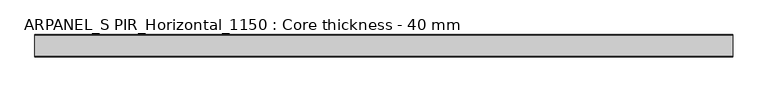
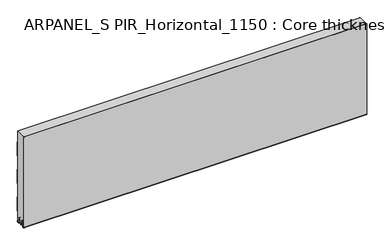
"""IFC4 building model written with IfcOpenShell, lengths in millimetres: plate geometry, ARPANEL_S PIR_Horizontal_1150 : Core thickness - 40 mm."""

from ifc_helpers import new_model, si_unit, frame, origin, place, context, project, spatial, polyline, circle_curve, source, transform, mapped, element, save
from ifc_brep_helpers import plane_surface, cylinder_surface, revolved_surface, advanced_brep


def arpanel_s_pir_horizontal_1150_core_thickness_40_mm_3fefe469(model_context):
    return source(origin(), model_context, "Body", "AdvancedBrep", [
        advanced_brep(
        [(620.0, -39.9996949, 3.0900682), (620.0, -33.81449, 2.7875612), (620.0, -32.197116, 19.2828169), (620.0, -29.1776715, 21.9898782), (620.0, -26.1582271, 19.2828169), (620.0, -24.7725998, 5.1510966), (620.0, -20.3830995, 5.365779), (620.0, -21.1830995, 5.365779), (620.0, -23.9764178, 5.2291629), (620.0, -25.3620451, 19.3608832), (620.0, -29.1776715, 22.7899182), (620.0, -32.9932979, 19.3608832), (620.0, -34.6106719, 2.8656275), (620.0, -39.1996949, 3.0900682), (620.0, -39.2, 350.0), (620.0, -39.9996949, 350.0), (-620.0, -39.1996949, 3.0900682), (-620.0, -34.6106719, 2.8656275), (-620.0, -32.9932979, 19.3608832), (-620.0, -29.1776715, 22.7899182), (-620.0, -25.3620451, 19.3608832), (-620.0, -23.9764178, 5.2291629), (-620.0, -21.1830995, 5.365779), (-620.0, -20.3830995, 5.365779), (-620.0, -24.7725998, 5.1510966), (-620.0, -26.1582271, 19.2828169), (-620.0, -29.1776715, 21.9898782), (-620.0, -32.197116, 19.2828169), (-620.0, -33.81449, 2.7875612), (-620.0, -39.9996949, 3.0900682), (-620.0, -39.9996949, 350.0), (-620.0, -39.2, 350.0)],
        [
            (0, 1, circle_curve(frame((620.0, -36.8996949, 3.0900682), z_axis=(1.0, 0.0, 0.0), x_axis=(0.0, 0.0, -1.0)), 3.1)),
            (1, 2),
            (2, 3, circle_curve(frame((620.0, -29.2114338, 18.9900682), z_axis=(-1.0, 0.0, 0.0), x_axis=(0.0, 0.0, -1.0)), 3.0)),
            (3, 4, circle_curve(frame((620.0, -29.1439093, 18.9900682), z_axis=(-1.0, 0.0, 0.0), x_axis=(0.0, 0.0, -1.0)), 3.0)),
            (4, 5),
            (5, 6, circle_curve(frame((620.0, -22.5830995, 5.365779), z_axis=(1.0, 0.0, 0.0), x_axis=(0.0, 0.0, -1.0)), 2.2)),
            (6, 7),
            (7, 8, circle_curve(frame((620.0, -22.5830995, 5.365779), z_axis=(-1.0, 0.0, 0.0), x_axis=(0.0, 0.0, -1.0)), 1.4)),
            (8, 9),
            (9, 10, circle_curve(frame((620.0, -29.1439093, 18.9900682), z_axis=(1.0, 0.0, 0.0), x_axis=(0.0, 0.0, -1.0)), 3.8)),
            (10, 11, circle_curve(frame((620.0, -29.2114338, 18.9900682), z_axis=(1.0, 0.0, 0.0), x_axis=(0.0, 0.0, -1.0)), 3.8)),
            (11, 12),
            (12, 13, circle_curve(frame((620.0, -36.8996949, 3.0900682), z_axis=(-1.0, 0.0, 0.0), x_axis=(0.0, 0.0, -1.0)), 2.3)),
            (13, 14),
            (14, 15),
            (15, 0),
            (16, 17, circle_curve(frame((-620.0, -36.8996949, 3.0900682), z_axis=(1.0, 0.0, 0.0), x_axis=(0.0, 0.0, -1.0)), 2.3)),
            (17, 18),
            (18, 19, circle_curve(frame((-620.0, -29.2114338, 18.9900682), z_axis=(-1.0, 0.0, 0.0), x_axis=(0.0, 0.0, -1.0)), 3.8)),
            (19, 20, circle_curve(frame((-620.0, -29.1439093, 18.9900682), z_axis=(-1.0, 0.0, 0.0), x_axis=(0.0, 0.0, -1.0)), 3.8)),
            (20, 21),
            (21, 22, circle_curve(frame((-620.0, -22.5830995, 5.365779), z_axis=(1.0, 0.0, 0.0), x_axis=(0.0, 0.0, -1.0)), 1.4)),
            (22, 23),
            (23, 24, circle_curve(frame((-620.0, -22.5830995, 5.365779), z_axis=(-1.0, 0.0, 0.0), x_axis=(0.0, 0.0, -1.0)), 2.2)),
            (24, 25),
            (25, 26, circle_curve(frame((-620.0, -29.1439093, 18.9900682), z_axis=(1.0, 0.0, 0.0), x_axis=(0.0, 0.0, -1.0)), 3.0)),
            (26, 27, circle_curve(frame((-620.0, -29.2114338, 18.9900682), z_axis=(1.0, 0.0, 0.0), x_axis=(0.0, 0.0, -1.0)), 3.0)),
            (27, 28),
            (28, 29, circle_curve(frame((-620.0, -36.8996949, 3.0900682), z_axis=(-1.0, 0.0, 0.0), x_axis=(0.0, 0.0, -1.0)), 3.1)),
            (29, 30),
            (30, 31),
            (31, 16),
            (13, 16),
            (31, 14),
            (29, 0),
            (15, 30),
            (12, 17),
            (11, 18),
            (10, 19),
            (9, 20),
            (8, 21),
            (7, 22),
            (6, 23),
            (5, 24),
            (4, 25),
            (3, 26),
            (2, 27),
            (1, 28),
        ],
        [
            plane_surface(frame((620.0, -40.0, 0.0), z_axis=(1.0, 0.0, 0.0), x_axis=(0.0, 1.0, 0.0))),
            plane_surface(frame((-620.0, -40.0, 0.0), z_axis=(-1.0, 0.0, 0.0), x_axis=(0.0, 1.0, 0.0))),
            plane_surface(frame((620.0, -39.2, 3.0900682), z_axis=(0.0, 1.0, 0.0), x_axis=(-1.0, 0.0, 0.0))),
            plane_surface(frame((620.0, -39.9996949, 1143.9000005), z_axis=(0.0, -1.0, 0.0), x_axis=(-1.0, 0.0, 0.0))),
            revolved_surface(polyline([(-620.0, -36.8996949, 0.7900682000000003), (620.0, -36.8996949, 0.7900682000000003)]), (620.0, -36.8996949, 3.0900682), (-1.0, 0.0, 0.0)),
            plane_surface(frame((620.0, -32.9932979, 19.3608832), z_axis=(0.0, -0.9952273999818314, 0.09758289975914787), x_axis=(-1.0, 0.0, 0.0))),
            cylinder_surface(frame((620.0, -29.2114338, 18.9900682), z_axis=(1.0, 0.0, 0.0), x_axis=(0.0, 0.0, -1.0)), 3.8),
            cylinder_surface(frame((620.0, -29.1439093, 18.9900682), z_axis=(1.0, 0.0, 0.0), x_axis=(0.0, 0.0, -1.0)), 3.8),
            plane_surface(frame((620.0, -23.9764178, 5.2291629), z_axis=(0.0, 0.9952273999818297, 0.09758289975916531), x_axis=(-1.0, 0.0, 0.0))),
            revolved_surface(polyline([(-620.0, -22.5830995, 3.965779), (620.0, -22.5830995, 3.965779)]), (620.0, -22.5830995, 5.365779), (-1.0, 0.0, 0.0)),
            plane_surface(frame((620.0, -20.3830995, 5.365779), z_axis=(0.0, 0.0, 1.0), x_axis=(-1.0, 0.0, 0.0))),
            cylinder_surface(frame((620.0, -22.5830995, 5.365779), z_axis=(1.0, 0.0, 0.0), x_axis=(0.0, 0.0, -1.0)), 2.2),
            plane_surface(frame((620.0, -26.1582271, 19.2828169), z_axis=(0.0, -0.9952273999818296, -0.09758289975916527), x_axis=(-1.0, 0.0, 0.0))),
            revolved_surface(polyline([(-620.0, -29.1439093, 15.9900682), (620.0, -29.1439093, 15.9900682)]), (620.0, -29.1439093, 18.9900682), (-1.0, 0.0, 0.0)),
            revolved_surface(polyline([(-620.0, -29.2114338, 15.9900682), (620.0, -29.2114338, 15.9900682)]), (620.0, -29.2114338, 18.9900682), (-1.0, 0.0, 0.0)),
            plane_surface(frame((620.0, -33.81449, 2.7875612), z_axis=(0.0, 0.9952273999818314, -0.09758289975914787), x_axis=(-1.0, 0.0, 0.0))),
            cylinder_surface(frame((620.0, -36.8996949, 3.0900682), z_axis=(1.0, 0.0, 0.0), x_axis=(0.0, 0.0, -1.0)), 3.1),
            plane_surface(frame((-620.0, 134.0533409, 350.0), z_axis=(0.0, 0.0, 1.0), x_axis=(1.0, 0.0, 0.0))),
        ],
        [
            (0, [[1, 2, 3, 4, 5, 6, 7, 8, 9, 10, 11, 12, 13, 14, 15, 16]]),
            (1, [[17, 18, 19, 20, 21, 22, 23, 24, 25, 26, 27, 28, 29, 30, 31, 32]]),
            (2, [[33, -32, 34, -14]]),
            (3, [[35, -16, 36, -30]]),
            (4, [[-13, 37, -17, -33]]),
            (5, [[-12, 38, -18, -37]]),
            (6, [[-11, 39, -19, -38]]),
            (7, [[-10, 40, -20, -39]]),
            (8, [[-9, 41, -21, -40]]),
            (9, [[-8, 42, -22, -41]]),
            (10, [[-7, 43, -23, -42]]),
            (11, [[-6, 44, -24, -43]]),
            (12, [[-5, 45, -25, -44]]),
            (13, [[-4, 46, -26, -45]]),
            (14, [[-3, 47, -27, -46]]),
            (15, [[-2, 48, -28, -47]]),
            (16, [[-1, -35, -29, -48]]),
            (17, [[-15, -34, -31, -36]]),
        ],
    ),
        advanced_brep(
        [(620.0, -0.8, 199.9459237), (620.0, -1.0986697, 200.9973395), (620.0, -1.5003051, 202.4177205), (620.0, -1.5003051, 252.5775037), (620.0, -1.0971009, 253.9969151), (620.0, -0.8, 255.0493005), (620.0, -0.8, 305.2090837), (620.0, -1.0986697, 306.2604995), (620.0, -1.5003051, 307.6808805), (620.0, -1.5003051, 350.0), (620.0, -39.2, 350.0), (620.0, -39.2, 3.0900682), (620.0, -34.6106719, 2.8656275), (620.0, -32.9932979, 19.3608832), (620.0, -29.1776715, 22.7899182), (620.0, -25.3620451, 19.3608832), (620.0, -23.9764178, 5.2291629), (620.0, -21.1830995, 5.365779), (620.0, -20.3830995, 5.365779), (620.0, -20.6102539, 4.3921875), (620.0, -19.3897461, 4.3921875), (620.0, -19.6169005, 5.365779), (620.0, -18.8169005, 5.365779), (620.0, -16.0235822, 5.2291629), (620.0, -14.6379549, 19.3608832), (620.0, -10.8223285, 22.7899182), (620.0, -7.0067021, 19.3608832), (620.0, -5.3893281, 2.8656275), (620.0, -0.8023367, 3.1867178), (620.0, -1.0986697, 4.141484), (620.0, -1.5003051, 5.5618649), (620.0, -1.5003051, 42.0511837), (620.0, -1.0971009, 43.4705951), (620.0, -0.8, 44.5229805), (620.0, -0.8, 94.6827637), (620.0, -1.0986697, 95.7341795), (620.0, -1.5003051, 97.1545605), (620.0, -1.5003051, 147.3143437), (620.0, -1.0971009, 148.7337551), (620.0, -0.8, 149.7861405), (-620.0, -1.0986697, 200.9973395), (-620.0, -0.8, 199.9459237), (-620.0, -0.8, 149.7861405), (-620.0, -1.0986697, 148.7347246), (-620.0, -1.5003051, 147.3143437), (-620.0, -1.5003051, 97.1545605), (-620.0, -1.0971009, 95.7351491), (-620.0, -0.8, 94.6827637), (-620.0, -0.8, 44.5229805), (-620.0, -1.0986697, 43.4715646), (-620.0, -1.5003051, 42.0511837), (-620.0, -1.5003051, 5.5618649), (-620.0, -1.0971009, 4.1424535), (-620.0, -0.8023367, 3.1867178), (-620.0, -5.3893281, 2.8656275), (-620.0, -7.0067021, 19.3608832), (-620.0, -10.8223285, 22.7899182), (-620.0, -14.6379549, 19.3608832), (-620.0, -16.0235822, 5.2291629), (-620.0, -18.4553868, 4.4268721), (-620.0, -18.8169005, 5.365779), (-620.0, -19.6169005, 5.365779), (-620.0, -19.3897461, 4.3921875), (-620.0, -20.6102539, 4.3921875), (-620.0, -20.3830995, 5.365779), (-620.0, -21.1830995, 5.365779), (-620.0, -21.5446132, 4.4268721), (-620.0, -23.9764178, 5.2291629), (-620.0, -25.3620451, 19.3608832), (-620.0, -29.1776715, 22.7899182), (-620.0, -32.9932979, 19.3608832), (-620.0, -34.6106719, 2.8656275), (-620.0, -39.1996949, 3.0900682), (-620.0, -39.2, 350.0), (-620.0, -1.5003051, 350.0), (-620.0, -1.5003051, 307.6808805), (-620.0, -1.0971009, 306.2614691), (-620.0, -0.8, 305.2090837), (-620.0, -0.8, 255.0493005), (-620.0, -1.0986697, 253.9978846), (-620.0, -1.5003051, 252.5775037), (-620.0, -1.5003051, 202.4177205)],
        [
            (0, 1, circle_curve(frame((620.0, -2.8, 199.9459237), z_axis=(1.0, 0.0, 0.0), x_axis=(0.0, 0.0, -1.0)), 2.0)),
            (1, 2, circle_curve(frame((620.0, 1.1996949, 202.4177205), z_axis=(-1.0, 0.0, 0.0), x_axis=(0.0, 0.0, -1.0)), 2.7)),
            (2, 3),
            (3, 4, circle_curve(frame((620.0, 1.1996949, 252.5775037), z_axis=(-1.0, 0.0, 0.0), x_axis=(0.0, 0.0, -1.0)), 2.7)),
            (4, 5, circle_curve(frame((620.0, -2.8, 255.0493005), z_axis=(1.0, 0.0, 0.0), x_axis=(0.0, 0.0, -1.0)), 2.0)),
            (5, 6),
            (6, 7, circle_curve(frame((620.0, -2.8, 305.2090837), z_axis=(1.0, 0.0, 0.0), x_axis=(0.0, 0.0, -1.0)), 2.0)),
            (7, 8, circle_curve(frame((620.0, 1.1996949, 307.6808805), z_axis=(-1.0, 0.0, 0.0), x_axis=(0.0, 0.0, -1.0)), 2.7)),
            (8, 9),
            (9, 10),
            (10, 11),
            (11, 12, circle_curve(frame((620.0, -36.8996949, 3.0900682), z_axis=(1.0, 0.0, 0.0), x_axis=(0.0, 0.0, -1.0)), 2.3)),
            (12, 13),
            (13, 14, circle_curve(frame((620.0, -29.2114338, 18.9900682), z_axis=(-1.0, 0.0, 0.0), x_axis=(0.0, 0.0, -1.0)), 3.8)),
            (14, 15, circle_curve(frame((620.0, -29.1439093, 18.9900682), z_axis=(-1.0, 0.0, 0.0), x_axis=(0.0, 0.0, -1.0)), 3.8)),
            (15, 16),
            (16, 17, circle_curve(frame((620.0, -22.5830995, 5.365779), z_axis=(1.0, 0.0, 0.0), x_axis=(0.0, 0.0, -1.0)), 1.4)),
            (17, 18),
            (18, 19, circle_curve(frame((620.0, -22.5830995, 5.365779), z_axis=(-1.0, 0.0, 0.0), x_axis=(0.0, 0.0, -1.0)), 2.2)),
            (19, 20),
            (20, 21, circle_curve(frame((620.0, -17.4169005, 5.365779), z_axis=(-1.0, 0.0, 0.0), x_axis=(0.0, 0.0, -1.0)), 2.2)),
            (21, 22),
            (22, 23, circle_curve(frame((620.0, -17.4169005, 5.365779), z_axis=(1.0, 0.0, 0.0), x_axis=(0.0, 0.0, -1.0)), 1.4)),
            (23, 24),
            (24, 25, circle_curve(frame((620.0, -10.8560907, 18.9900682), z_axis=(-1.0, 0.0, 0.0), x_axis=(0.0, 0.0, -1.0)), 3.8)),
            (25, 26, circle_curve(frame((620.0, -10.7885662, 18.9900682), z_axis=(-1.0, 0.0, 0.0), x_axis=(0.0, 0.0, -1.0)), 3.8)),
            (26, 27),
            (27, 28, circle_curve(frame((620.0, -3.1003051, 3.0900682), z_axis=(1.0, 0.0, 0.0), x_axis=(0.0, 0.0, -1.0)), 2.3)),
            (28, 29, circle_curve(frame((620.0, -2.8, 3.0900682), z_axis=(1.0, 0.0, 0.0), x_axis=(0.0, 0.0, -1.0)), 2.0)),
            (29, 30, circle_curve(frame((620.0, 1.1996949, 5.5618649), z_axis=(-1.0, 0.0, 0.0), x_axis=(0.0, 0.0, -1.0)), 2.7)),
            (30, 31),
            (31, 32, circle_curve(frame((620.0, 1.1996949, 42.0511837), z_axis=(-1.0, 0.0, 0.0), x_axis=(0.0, 0.0, -1.0)), 2.7)),
            (32, 33, circle_curve(frame((620.0, -2.8, 44.5229805), z_axis=(1.0, 0.0, 0.0), x_axis=(0.0, 0.0, -1.0)), 2.0)),
            (33, 34),
            (34, 35, circle_curve(frame((620.0, -2.8, 94.6827637), z_axis=(1.0, 0.0, 0.0), x_axis=(0.0, 0.0, -1.0)), 2.0)),
            (35, 36, circle_curve(frame((620.0, 1.1996949, 97.1545605), z_axis=(-1.0, 0.0, 0.0), x_axis=(0.0, 0.0, -1.0)), 2.7)),
            (36, 37),
            (37, 38, circle_curve(frame((620.0, 1.1996949, 147.3143437), z_axis=(-1.0, 0.0, 0.0), x_axis=(0.0, 0.0, -1.0)), 2.7)),
            (38, 39, circle_curve(frame((620.0, -2.8, 149.7861405), z_axis=(1.0, 0.0, 0.0), x_axis=(0.0, 0.0, -1.0)), 2.0)),
            (39, 0),
            (40, 41, circle_curve(frame((-620.0, -2.8, 199.9459237), z_axis=(-1.0, 0.0, 0.0), x_axis=(0.0, 0.0, -1.0)), 2.0)),
            (41, 42),
            (42, 43, circle_curve(frame((-620.0, -2.8, 149.7861405), z_axis=(-1.0, 0.0, 0.0), x_axis=(0.0, 0.0, -1.0)), 2.0)),
            (43, 44, circle_curve(frame((-620.0, 1.1996949, 147.3143437), z_axis=(1.0, 0.0, 0.0), x_axis=(0.0, 0.0, -1.0)), 2.7)),
            (44, 45),
            (45, 46, circle_curve(frame((-620.0, 1.1996949, 97.1545605), z_axis=(1.0, 0.0, 0.0), x_axis=(0.0, 0.0, -1.0)), 2.7)),
            (46, 47, circle_curve(frame((-620.0, -2.8, 94.6827637), z_axis=(-1.0, 0.0, 0.0), x_axis=(0.0, 0.0, -1.0)), 2.0)),
            (47, 48),
            (48, 49, circle_curve(frame((-620.0, -2.8, 44.5229805), z_axis=(-1.0, 0.0, 0.0), x_axis=(0.0, 0.0, -1.0)), 2.0)),
            (49, 50, circle_curve(frame((-620.0, 1.1996949, 42.0511837), z_axis=(1.0, 0.0, 0.0), x_axis=(0.0, 0.0, -1.0)), 2.7)),
            (50, 51),
            (51, 52, circle_curve(frame((-620.0, 1.1996949, 5.5618649), z_axis=(1.0, 0.0, 0.0), x_axis=(0.0, 0.0, -1.0)), 2.7)),
            (52, 53, circle_curve(frame((-620.0, -2.8, 3.0900682), z_axis=(-1.0, 0.0, 0.0), x_axis=(0.0, 0.0, -1.0)), 2.0)),
            (53, 54, circle_curve(frame((-620.0, -3.1003051, 3.0900682), z_axis=(-1.0, 0.0, 0.0), x_axis=(0.0, 0.0, -1.0)), 2.3)),
            (54, 55),
            (55, 56, circle_curve(frame((-620.0, -10.7885662, 18.9900682), z_axis=(1.0, 0.0, 0.0), x_axis=(0.0, 0.0, -1.0)), 3.8)),
            (56, 57, circle_curve(frame((-620.0, -10.8560907, 18.9900682), z_axis=(1.0, 0.0, 0.0), x_axis=(0.0, 0.0, -1.0)), 3.8)),
            (57, 58),
            (58, 59, circle_curve(frame((-620.0, -17.4169005, 5.365779), z_axis=(-1.0, 0.0, 0.0), x_axis=(0.0, 0.0, -1.0)), 1.4)),
            (59, 60, circle_curve(frame((-620.0, -17.4169005, 5.365779), z_axis=(-1.0, 0.0, 0.0), x_axis=(0.0, 0.0, -1.0)), 1.4)),
            (60, 61),
            (61, 62, circle_curve(frame((-620.0, -17.4169005, 5.365779), z_axis=(1.0, 0.0, 0.0), x_axis=(0.0, 0.0, -1.0)), 2.2)),
            (62, 63),
            (63, 64, circle_curve(frame((-620.0, -22.5830995, 5.365779), z_axis=(1.0, 0.0, 0.0), x_axis=(0.0, 0.0, -1.0)), 2.2)),
            (64, 65),
            (65, 66, circle_curve(frame((-620.0, -22.5830995, 5.365779), z_axis=(-1.0, 0.0, 0.0), x_axis=(0.0, 0.0, -1.0)), 1.4)),
            (66, 67, circle_curve(frame((-620.0, -22.5830995, 5.365779), z_axis=(-1.0, 0.0, 0.0), x_axis=(0.0, 0.0, -1.0)), 1.4)),
            (67, 68),
            (68, 69, circle_curve(frame((-620.0, -29.1439093, 18.9900682), z_axis=(1.0, 0.0, 0.0), x_axis=(0.0, 0.0, -1.0)), 3.8)),
            (69, 70, circle_curve(frame((-620.0, -29.2114338, 18.9900682), z_axis=(1.0, 0.0, 0.0), x_axis=(0.0, 0.0, -1.0)), 3.8)),
            (70, 71),
            (71, 72, circle_curve(frame((-620.0, -36.8996949, 3.0900682), z_axis=(-1.0, 0.0, 0.0), x_axis=(0.0, 0.0, -1.0)), 2.3)),
            (72, 73),
            (73, 74),
            (74, 75),
            (75, 76, circle_curve(frame((-620.0, 1.1996949, 307.6808805), z_axis=(1.0, 0.0, 0.0), x_axis=(0.0, 0.0, -1.0)), 2.7)),
            (76, 77, circle_curve(frame((-620.0, -2.8, 305.2090837), z_axis=(-1.0, 0.0, 0.0), x_axis=(0.0, 0.0, -1.0)), 2.0)),
            (77, 78),
            (78, 79, circle_curve(frame((-620.0, -2.8, 255.0493005), z_axis=(-1.0, 0.0, 0.0), x_axis=(0.0, 0.0, -1.0)), 2.0)),
            (79, 80, circle_curve(frame((-620.0, 1.1996949, 252.5775037), z_axis=(1.0, 0.0, 0.0), x_axis=(0.0, 0.0, -1.0)), 2.7)),
            (80, 81),
            (81, 40, circle_curve(frame((-620.0, 1.1996949, 202.4177205), z_axis=(1.0, 0.0, 0.0), x_axis=(0.0, 0.0, -1.0)), 2.7)),
            (40, 1),
            (0, 41),
            (81, 2),
            (80, 3),
            (79, 4),
            (78, 5),
            (77, 6),
            (76, 7),
            (75, 8),
            (74, 9),
            (72, 11),
            (10, 73),
            (46, 35),
            (34, 47),
            (45, 36),
            (44, 37),
            (43, 38),
            (42, 39),
            (71, 12),
            (18, 64),
            (63, 19),
            (61, 21),
            (20, 62),
            (60, 22),
            (58, 23),
            (57, 24),
            (56, 25),
            (55, 26),
            (54, 27),
            (53, 28),
            (52, 29),
            (51, 30),
            (50, 31),
            (49, 32),
            (48, 33),
            (70, 13),
            (69, 14),
            (68, 15),
            (67, 16),
            (65, 17),
        ],
        [
            plane_surface(frame((620.0, 0.0, 0.0), z_axis=(1.0, 0.0, 0.0), x_axis=(0.0, -1.0, 0.0))),
            plane_surface(frame((-620.0, 0.0, 0.0), z_axis=(-1.0, 0.0, 0.0), x_axis=(0.0, -1.0, 0.0))),
            cylinder_surface(frame((750.0, -2.8, 199.9459237), z_axis=(-1.0, 0.0, 0.0), x_axis=(0.0, 0.0, -1.0)), 2.0),
            revolved_surface(polyline([(620.0, 1.1996949, 199.7177205), (-620.0, 1.1996949, 199.7177205)]), (750.0, 1.1996949, 202.4177205), (1.0, 0.0, 0.0)),
            plane_surface(frame((750.0, -1.5003051, 252.5775037), z_axis=(0.0, 1.0, 0.0), x_axis=(-1.0, 0.0, 0.0))),
            revolved_surface(polyline([(620.0, 1.1996949, 249.8775037), (-620.0, 1.1996949, 249.8775037)]), (750.0, 1.1996949, 252.5775037), (1.0, 0.0, 0.0)),
            cylinder_surface(frame((750.0, -2.8, 255.0493005), z_axis=(-1.0, 0.0, 0.0), x_axis=(0.0, 0.0, -1.0)), 2.0),
            plane_surface(frame((750.0, -0.8, 305.2090837), z_axis=(0.0, 1.0, 0.0), x_axis=(-1.0, 0.0, 0.0))),
            cylinder_surface(frame((750.0, -2.8, 305.2090837), z_axis=(-1.0, 0.0, 0.0), x_axis=(0.0, 0.0, -1.0)), 2.0),
            revolved_surface(polyline([(620.0, 1.1996949, 304.9808805), (-620.0, 1.1996949, 304.9808805)]), (750.0, 1.1996949, 307.6808805), (1.0, 0.0, 0.0)),
            plane_surface(frame((750.0, -1.5003051, 357.8406637), z_axis=(0.0, 1.0, 0.0), x_axis=(-1.0, 0.0, 0.0))),
            plane_surface(frame((750.0, -39.2, 3.0900682), z_axis=(0.0, -1.0, 0.0), x_axis=(-1.0, 0.0, 0.0))),
            cylinder_surface(frame((750.0, -2.8, 94.6827637), z_axis=(-1.0, 0.0, 0.0), x_axis=(0.0, 0.0, -1.0)), 2.0),
            revolved_surface(polyline([(620.0, 1.1996949, 94.4545605), (-620.0, 1.1996949, 94.4545605)]), (750.0, 1.1996949, 97.1545605), (1.0, 0.0, 0.0)),
            plane_surface(frame((750.0, -1.5003051, 147.3143437), z_axis=(0.0, 1.0, 0.0), x_axis=(-1.0, 0.0, 0.0))),
            revolved_surface(polyline([(620.0, 1.1996949, 144.6143437), (-620.0, 1.1996949, 144.6143437)]), (750.0, 1.1996949, 147.3143437), (1.0, 0.0, 0.0)),
            cylinder_surface(frame((750.0, -2.8, 149.7861405), z_axis=(-1.0, 0.0, 0.0), x_axis=(0.0, 0.0, -1.0)), 2.0),
            plane_surface(frame((750.0, -0.8, 199.9459237), z_axis=(0.0, 1.0, 0.0), x_axis=(-1.0, 0.0, 0.0))),
            cylinder_surface(frame((750.0, -36.8996949, 3.0900682), z_axis=(-1.0, 0.0, 0.0), x_axis=(0.0, 0.0, -1.0)), 2.3),
            revolved_surface(polyline([(620.0, -22.5830995, 3.1657789999999997), (-620.0, -22.5830995, 3.1657789999999997)]), (750.0, -22.5830995, 5.365779), (1.0, 0.0, 0.0)),
            revolved_surface(polyline([(620.0, -17.4169005, 3.1657789999999997), (-620.0, -17.4169005, 3.1657789999999997)]), (750.0, -17.4169005, 5.365779), (1.0, 0.0, 0.0)),
            plane_surface(frame((750.0, -18.8169005, 5.365779), z_axis=(0.0, 0.0, -1.0), x_axis=(-1.0, 0.0, 0.0))),
            cylinder_surface(frame((750.0, -17.4169005, 5.365779), z_axis=(-1.0, 0.0, 0.0), x_axis=(0.0, 0.0, -1.0)), 1.4),
            plane_surface(frame((750.0, -14.6379549, 19.3608832), z_axis=(0.0, 0.9952273999818297, -0.09758289975916531), x_axis=(-1.0, 0.0, 0.0))),
            revolved_surface(polyline([(620.0, -10.8560907, 15.190068199999999), (-620.0, -10.8560907, 15.190068199999999)]), (750.0, -10.8560907, 18.9900682), (1.0, 0.0, 0.0)),
            revolved_surface(polyline([(620.0, -10.7885662, 15.190068199999999), (-620.0, -10.7885662, 15.190068199999999)]), (750.0, -10.7885662, 18.9900682), (1.0, 0.0, 0.0)),
            plane_surface(frame((750.0, -5.3893281, 2.8656275), z_axis=(0.0, -0.9952273999818314, -0.09758289975914787), x_axis=(-1.0, 0.0, 0.0))),
            cylinder_surface(frame((750.0, -3.1003051, 3.0900682), z_axis=(-1.0, 0.0, 0.0), x_axis=(0.0, 0.0, -1.0)), 2.3),
            cylinder_surface(frame((750.0, -2.8, 3.0900682), z_axis=(-1.0, 0.0, 0.0), x_axis=(0.0, 0.0, -1.0)), 2.0),
            revolved_surface(polyline([(620.0, 1.1996949, 2.8618648999999996), (-620.0, 1.1996949, 2.8618648999999996)]), (750.0, 1.1996949, 5.5618649), (1.0, 0.0, 0.0)),
            plane_surface(frame((750.0, -1.5003051, 42.0511837), z_axis=(0.0, 1.0, 0.0), x_axis=(-1.0, 0.0, 0.0))),
            revolved_surface(polyline([(620.0, 1.1996949, 39.3511837), (-620.0, 1.1996949, 39.3511837)]), (750.0, 1.1996949, 42.0511837), (1.0, 0.0, 0.0)),
            cylinder_surface(frame((750.0, -2.8, 44.5229805), z_axis=(-1.0, 0.0, 0.0), x_axis=(0.0, 0.0, -1.0)), 2.0),
            plane_surface(frame((750.0, -0.8, 94.6827637), z_axis=(0.0, 1.0, 0.0), x_axis=(-1.0, 0.0, 0.0))),
            plane_surface(frame((750.0, -32.9932979, 19.3608832), z_axis=(0.0, 0.9952273999818314, -0.09758289975914787), x_axis=(-1.0, 0.0, 0.0))),
            revolved_surface(polyline([(620.0, -29.2114338, 15.190068199999999), (-620.0, -29.2114338, 15.190068199999999)]), (750.0, -29.2114338, 18.9900682), (1.0, 0.0, 0.0)),
            revolved_surface(polyline([(620.0, -29.1439093, 15.190068199999999), (-620.0, -29.1439093, 15.190068199999999)]), (750.0, -29.1439093, 18.9900682), (1.0, 0.0, 0.0)),
            plane_surface(frame((750.0, -23.9764178, 5.2291629), z_axis=(0.0, -0.9952273999818297, -0.09758289975916531), x_axis=(-1.0, 0.0, 0.0))),
            cylinder_surface(frame((750.0, -22.5830995, 5.365779), z_axis=(-1.0, 0.0, 0.0), x_axis=(0.0, 0.0, -1.0)), 1.4),
            plane_surface(frame((750.0, -20.3830995, 5.365779), z_axis=(0.0, 0.0, -1.0), x_axis=(-1.0, 0.0, 0.0))),
            plane_surface(frame((620.0, -21.50625, 4.3921875), z_axis=(0.0, 0.0, -1.0), x_axis=(-1.0, 0.0, 0.0))),
            plane_surface(frame((-620.0, 134.0533409, 350.0), z_axis=(0.0, 0.0, 1.0), x_axis=(1.0, 0.0, 0.0))),
        ],
        [
            (0, [[1, 2, 3, 4, 5, 6, 7, 8, 9, 10, 11, 12, 13, 14, 15, 16, 17, 18, 19, 20, 21, 22, 23, 24, 25, 26, 27, 28, 29, 30, 31, 32, 33, 34, 35, 36, 37, 38, 39, 40]]),
            (1, [[41, 42, 43, 44, 45, 46, 47, 48, 49, 50, 51, 52, 53, 54, 55, 56, 57, 58, 59, 60, 61, 62, 63, 64, 65, 66, 67, 68, 69, 70, 71, 72, 73, 74, 75, 76, 77, 78, 79, 80, 81, 82]]),
            (2, [[83, -1, 84, -41]]),
            (3, [[-83, -82, 85, -2]]),
            (4, [[-85, -81, 86, -3]]),
            (5, [[-86, -80, 87, -4]]),
            (6, [[-87, -79, 88, -5]]),
            (7, [[-88, -78, 89, -6]]),
            (8, [[-89, -77, 90, -7]]),
            (9, [[-90, -76, 91, -8]]),
            (10, [[-91, -75, 92, -9]]),
            (11, [[93, -11, 94, -73]]),
            (12, [[95, -35, 96, -47]]),
            (13, [[-95, -46, 97, -36]]),
            (14, [[-97, -45, 98, -37]]),
            (15, [[-98, -44, 99, -38]]),
            (16, [[-99, -43, 100, -39]]),
            (17, [[-100, -42, -84, -40]]),
            (18, [[-93, -72, 101, -12]]),
            (19, [[102, -64, 103, -19]]),
            (20, [[104, -21, 105, -62]]),
            (21, [[-104, -61, 106, -22]]),
            (22, [[-106, -60, -59, 107, -23]]),
            (23, [[-107, -58, 108, -24]]),
            (24, [[-108, -57, 109, -25]]),
            (25, [[-109, -56, 110, -26]]),
            (26, [[-110, -55, 111, -27]]),
            (27, [[-111, -54, 112, -28]]),
            (28, [[-112, -53, 113, -29]]),
            (29, [[-113, -52, 114, -30]]),
            (30, [[-114, -51, 115, -31]]),
            (31, [[-115, -50, 116, -32]]),
            (32, [[-116, -49, 117, -33]]),
            (33, [[-117, -48, -96, -34]]),
            (34, [[-101, -71, 118, -13]]),
            (35, [[-118, -70, 119, -14]]),
            (36, [[-119, -69, 120, -15]]),
            (37, [[-120, -68, 121, -16]]),
            (38, [[-121, -67, -66, 122, -17]]),
            (39, [[-122, -65, -102, -18]]),
            (40, [[-105, -20, -103, -63]]),
            (41, [[-92, -74, -94, -10]]),
        ],
    ),
        advanced_brep(
        [(-620.0, -0.7003051, 307.6808805), (-620.0, -0.4016712, 306.6295226), (-620.0, -0.0003051, 305.2090837), (-620.0, -0.0003051, 255.0493005), (-620.0, -0.4034608, 253.6299674), (-620.0, -0.7003051, 252.5775037), (-620.0, -0.7003051, 202.4177205), (-620.0, -0.4016712, 201.3663626), (-620.0, -0.0003051, 199.9459237), (-620.0, -0.0003051, 149.7861405), (-620.0, -0.4034608, 148.3668074), (-620.0, -0.7003051, 147.3143437), (-620.0, -0.7003051, 97.1545605), (-620.0, -0.4016712, 96.1032026), (-620.0, -0.0003051, 94.6827637), (-620.0, -0.0003051, 44.5229805), (-620.0, -0.4034608, 43.1036474), (-620.0, -0.7003051, 42.0511837), (-620.0, -0.7003051, 5.5618649), (-620.0, -0.4016712, 4.5105071), (-620.0, -0.0003051, 3.0900682), (-620.0, -6.18551, 2.7875612), (-620.0, -7.802884, 19.2828169), (-620.0, -10.8223285, 21.9898782), (-620.0, -13.8417729, 19.2828169), (-620.0, -15.2274002, 5.1510966), (-620.0, -19.6169005, 5.365779), (-620.0, -18.8169005, 5.365779), (-620.0, -16.0235822, 5.2291629), (-620.0, -14.6379549, 19.3608832), (-620.0, -10.8223285, 22.7899182), (-620.0, -7.0067021, 19.3608832), (-620.0, -5.3893281, 2.8656275), (-620.0, -0.8023367, 3.1867178), (-620.0, -1.0986697, 4.141484), (-620.0, -1.5003051, 5.5618649), (-620.0, -1.5003051, 42.0511837), (-620.0, -1.0971009, 43.4705951), (-620.0, -0.8, 44.5229805), (-620.0, -0.8, 94.6827637), (-620.0, -1.0986697, 95.7341795), (-620.0, -1.5003051, 97.1545605), (-620.0, -1.5003051, 147.3143437), (-620.0, -1.0971009, 148.7337551), (-620.0, -0.8, 149.7861405), (-620.0, -0.8, 199.9459237), (-620.0, -1.0986697, 200.9973395), (-620.0, -1.5003051, 202.4177205), (-620.0, -1.5003051, 252.5775037), (-620.0, -1.0971009, 253.9969151), (-620.0, -0.8, 255.0493005), (-620.0, -0.8, 305.2090837), (-620.0, -1.0986697, 306.2604995), (-620.0, -1.5003051, 307.6808805), (-620.0, -1.5003051, 350.0), (-620.0, -0.7003051, 350.0), (620.0, -1.5003051, 307.6808805), (620.0, -1.0971009, 306.2614691), (620.0, -0.8, 305.2090837), (620.0, -0.8, 255.0493005), (620.0, -1.0986697, 253.9978846), (620.0, -1.5003051, 252.5775037), (620.0, -1.5003051, 202.4177205), (620.0, -1.0971009, 200.9983091), (620.0, -0.8, 199.9459237), (620.0, -0.8, 149.7861405), (620.0, -1.0986697, 148.7347246), (620.0, -1.5003051, 147.3143437), (620.0, -1.5003051, 97.1545605), (620.0, -1.0971009, 95.7351491), (620.0, -0.8, 94.6827637), (620.0, -0.8, 44.5229805), (620.0, -1.0986697, 43.4715646), (620.0, -1.5003051, 42.0511837), (620.0, -1.5003051, 5.5618649), (620.0, -1.0971009, 4.1424535), (620.0, -0.8023367, 3.1867178), (620.0, -5.3893281, 2.8656275), (620.0, -7.0067021, 19.3608832), (620.0, -10.8223285, 22.7899182), (620.0, -14.6379549, 19.3608832), (620.0, -16.0235822, 5.2291629), (620.0, -18.8169005, 5.365779), (620.0, -19.6169005, 5.365779), (620.0, -15.2274002, 5.1510966), (620.0, -13.8417729, 19.2828169), (620.0, -10.8223285, 21.9898782), (620.0, -7.802884, 19.2828169), (620.0, -6.18551, 2.7875612), (620.0, -0.0003051, 3.0900682), (620.0, -0.4034608, 4.5094012), (620.0, -0.7003051, 5.5618649), (620.0, -0.7003051, 42.0511837), (620.0, -0.4016712, 43.1025415), (620.0, -0.0003051, 44.5229805), (620.0, -0.0003051, 94.6827637), (620.0, -0.4034608, 96.1020968), (620.0, -0.7003051, 97.1545605), (620.0, -0.7003051, 147.3143437), (620.0, -0.4016712, 148.3657015), (620.0, -0.0003051, 149.7861405), (620.0, -0.0003051, 199.9459237), (620.0, -0.4034608, 201.3652568), (620.0, -0.7003051, 202.4177205), (620.0, -0.7003051, 252.5775037), (620.0, -0.4016712, 253.6288615), (620.0, -0.0003051, 255.0493005), (620.0, -0.0003051, 305.2090837), (620.0, -0.4034608, 306.6284168), (620.0, -0.7003051, 307.6808805), (620.0, -0.7003051, 350.0), (620.0, -1.5003051, 350.0)],
        [
            (0, 1, circle_curve(frame((-620.0, 1.2996949, 307.6808805), z_axis=(1.0, 0.0, 0.0), x_axis=(0.0, 0.0, -1.0)), 2.0)),
            (1, 2, circle_curve(frame((-620.0, -2.7003051, 305.2090837), z_axis=(-1.0, 0.0, 0.0), x_axis=(0.0, 0.0, -1.0)), 2.7)),
            (2, 3),
            (3, 4, circle_curve(frame((-620.0, -2.7003051, 255.0493005), z_axis=(-1.0, 0.0, 0.0), x_axis=(0.0, 0.0, -1.0)), 2.7)),
            (4, 5, circle_curve(frame((-620.0, 1.2996949, 252.5775037), z_axis=(1.0, 0.0, 0.0), x_axis=(0.0, 0.0, -1.0)), 2.0)),
            (5, 6),
            (6, 7, circle_curve(frame((-620.0, 1.2996949, 202.4177205), z_axis=(1.0, 0.0, 0.0), x_axis=(0.0, 0.0, -1.0)), 2.0)),
            (7, 8, circle_curve(frame((-620.0, -2.7003051, 199.9459237), z_axis=(-1.0, 0.0, 0.0), x_axis=(0.0, 0.0, -1.0)), 2.7)),
            (8, 9),
            (9, 10, circle_curve(frame((-620.0, -2.7003051, 149.7861405), z_axis=(-1.0, 0.0, 0.0), x_axis=(0.0, 0.0, -1.0)), 2.7)),
            (10, 11, circle_curve(frame((-620.0, 1.2996949, 147.3143437), z_axis=(1.0, 0.0, 0.0), x_axis=(0.0, 0.0, -1.0)), 2.0)),
            (11, 12),
            (12, 13, circle_curve(frame((-620.0, 1.2996949, 97.1545605), z_axis=(1.0, 0.0, 0.0), x_axis=(0.0, 0.0, -1.0)), 2.0)),
            (13, 14, circle_curve(frame((-620.0, -2.7003051, 94.6827637), z_axis=(-1.0, 0.0, 0.0), x_axis=(0.0, 0.0, -1.0)), 2.7)),
            (14, 15),
            (15, 16, circle_curve(frame((-620.0, -2.7003051, 44.5229805), z_axis=(-1.0, 0.0, 0.0), x_axis=(0.0, 0.0, -1.0)), 2.7)),
            (16, 17, circle_curve(frame((-620.0, 1.2996949, 42.0511837), z_axis=(1.0, 0.0, 0.0), x_axis=(0.0, 0.0, -1.0)), 2.0)),
            (17, 18),
            (18, 19, circle_curve(frame((-620.0, 1.2996949, 5.5618649), z_axis=(1.0, 0.0, 0.0), x_axis=(0.0, 0.0, -1.0)), 2.0)),
            (19, 20, circle_curve(frame((-620.0, -2.7003051, 3.0900682), z_axis=(-1.0, 0.0, 0.0), x_axis=(0.0, 0.0, -1.0)), 2.7)),
            (20, 21, circle_curve(frame((-620.0, -3.1003051, 3.0900682), z_axis=(-1.0, 0.0, 0.0), x_axis=(0.0, 0.0, -1.0)), 3.1)),
            (21, 22),
            (22, 23, circle_curve(frame((-620.0, -10.7885662, 18.9900682), z_axis=(1.0, 0.0, 0.0), x_axis=(0.0, 0.0, -1.0)), 3.0)),
            (23, 24, circle_curve(frame((-620.0, -10.8560907, 18.9900682), z_axis=(1.0, 0.0, 0.0), x_axis=(0.0, 0.0, -1.0)), 3.0)),
            (24, 25),
            (25, 26, circle_curve(frame((-620.0, -17.4169005, 5.365779), z_axis=(-1.0, 0.0, 0.0), x_axis=(0.0, 0.0, -1.0)), 2.2)),
            (26, 27),
            (27, 28, circle_curve(frame((-620.0, -17.4169005, 5.365779), z_axis=(1.0, 0.0, 0.0), x_axis=(0.0, 0.0, -1.0)), 1.4)),
            (28, 29),
            (29, 30, circle_curve(frame((-620.0, -10.8560907, 18.9900682), z_axis=(-1.0, 0.0, 0.0), x_axis=(0.0, 0.0, -1.0)), 3.8)),
            (30, 31, circle_curve(frame((-620.0, -10.7885662, 18.9900682), z_axis=(-1.0, 0.0, 0.0), x_axis=(0.0, 0.0, -1.0)), 3.8)),
            (31, 32),
            (32, 33, circle_curve(frame((-620.0, -3.1003051, 3.0900682), z_axis=(1.0, 0.0, 0.0), x_axis=(0.0, 0.0, -1.0)), 2.3)),
            (33, 34, circle_curve(frame((-620.0, -2.8, 3.0900682), z_axis=(1.0, 0.0, 0.0), x_axis=(0.0, 0.0, -1.0)), 2.0)),
            (34, 35, circle_curve(frame((-620.0, 1.1996949, 5.5618649), z_axis=(-1.0, 0.0, 0.0), x_axis=(0.0, 0.0, -1.0)), 2.7)),
            (35, 36),
            (36, 37, circle_curve(frame((-620.0, 1.1996949, 42.0511837), z_axis=(-1.0, 0.0, 0.0), x_axis=(0.0, 0.0, -1.0)), 2.7)),
            (37, 38, circle_curve(frame((-620.0, -2.8, 44.5229805), z_axis=(1.0, 0.0, 0.0), x_axis=(0.0, 0.0, -1.0)), 2.0)),
            (38, 39),
            (39, 40, circle_curve(frame((-620.0, -2.8, 94.6827637), z_axis=(1.0, 0.0, 0.0), x_axis=(0.0, 0.0, -1.0)), 2.0)),
            (40, 41, circle_curve(frame((-620.0, 1.1996949, 97.1545605), z_axis=(-1.0, 0.0, 0.0), x_axis=(0.0, 0.0, -1.0)), 2.7)),
            (41, 42),
            (42, 43, circle_curve(frame((-620.0, 1.1996949, 147.3143437), z_axis=(-1.0, 0.0, 0.0), x_axis=(0.0, 0.0, -1.0)), 2.7)),
            (43, 44, circle_curve(frame((-620.0, -2.8, 149.7861405), z_axis=(1.0, 0.0, 0.0), x_axis=(0.0, 0.0, -1.0)), 2.0)),
            (44, 45),
            (45, 46, circle_curve(frame((-620.0, -2.8, 199.9459237), z_axis=(1.0, 0.0, 0.0), x_axis=(0.0, 0.0, -1.0)), 2.0)),
            (46, 47, circle_curve(frame((-620.0, 1.1996949, 202.4177205), z_axis=(-1.0, 0.0, 0.0), x_axis=(0.0, 0.0, -1.0)), 2.7)),
            (47, 48),
            (48, 49, circle_curve(frame((-620.0, 1.1996949, 252.5775037), z_axis=(-1.0, 0.0, 0.0), x_axis=(0.0, 0.0, -1.0)), 2.7)),
            (49, 50, circle_curve(frame((-620.0, -2.8, 255.0493005), z_axis=(1.0, 0.0, 0.0), x_axis=(0.0, 0.0, -1.0)), 2.0)),
            (50, 51),
            (51, 52, circle_curve(frame((-620.0, -2.8, 305.2090837), z_axis=(1.0, 0.0, 0.0), x_axis=(0.0, 0.0, -1.0)), 2.0)),
            (52, 53, circle_curve(frame((-620.0, 1.1996949, 307.6808805), z_axis=(-1.0, 0.0, 0.0), x_axis=(0.0, 0.0, -1.0)), 2.7)),
            (53, 54),
            (54, 55),
            (55, 0),
            (56, 57, circle_curve(frame((620.0, 1.1996949, 307.6808805), z_axis=(1.0, 0.0, 0.0), x_axis=(0.0, 0.0, -1.0)), 2.7)),
            (57, 58, circle_curve(frame((620.0, -2.8, 305.2090837), z_axis=(-1.0, 0.0, 0.0), x_axis=(0.0, 0.0, -1.0)), 2.0)),
            (58, 59),
            (59, 60, circle_curve(frame((620.0, -2.8, 255.0493005), z_axis=(-1.0, 0.0, 0.0), x_axis=(0.0, 0.0, -1.0)), 2.0)),
            (60, 61, circle_curve(frame((620.0, 1.1996949, 252.5775037), z_axis=(1.0, 0.0, 0.0), x_axis=(0.0, 0.0, -1.0)), 2.7)),
            (61, 62),
            (62, 63, circle_curve(frame((620.0, 1.1996949, 202.4177205), z_axis=(1.0, 0.0, 0.0), x_axis=(0.0, 0.0, -1.0)), 2.7)),
            (63, 64, circle_curve(frame((620.0, -2.8, 199.9459237), z_axis=(-1.0, 0.0, 0.0), x_axis=(0.0, 0.0, -1.0)), 2.0)),
            (64, 65),
            (65, 66, circle_curve(frame((620.0, -2.8, 149.7861405), z_axis=(-1.0, 0.0, 0.0), x_axis=(0.0, 0.0, -1.0)), 2.0)),
            (66, 67, circle_curve(frame((620.0, 1.1996949, 147.3143437), z_axis=(1.0, 0.0, 0.0), x_axis=(0.0, 0.0, -1.0)), 2.7)),
            (67, 68),
            (68, 69, circle_curve(frame((620.0, 1.1996949, 97.1545605), z_axis=(1.0, 0.0, 0.0), x_axis=(0.0, 0.0, -1.0)), 2.7)),
            (69, 70, circle_curve(frame((620.0, -2.8, 94.6827637), z_axis=(-1.0, 0.0, 0.0), x_axis=(0.0, 0.0, -1.0)), 2.0)),
            (70, 71),
            (71, 72, circle_curve(frame((620.0, -2.8, 44.5229805), z_axis=(-1.0, 0.0, 0.0), x_axis=(0.0, 0.0, -1.0)), 2.0)),
            (72, 73, circle_curve(frame((620.0, 1.1996949, 42.0511837), z_axis=(1.0, 0.0, 0.0), x_axis=(0.0, 0.0, -1.0)), 2.7)),
            (73, 74),
            (74, 75, circle_curve(frame((620.0, 1.1996949, 5.5618649), z_axis=(1.0, 0.0, 0.0), x_axis=(0.0, 0.0, -1.0)), 2.7)),
            (75, 76, circle_curve(frame((620.0, -2.8, 3.0900682), z_axis=(-1.0, 0.0, 0.0), x_axis=(0.0, 0.0, -1.0)), 2.0)),
            (76, 77, circle_curve(frame((620.0, -3.1003051, 3.0900682), z_axis=(-1.0, 0.0, 0.0), x_axis=(0.0, 0.0, -1.0)), 2.3)),
            (77, 78),
            (78, 79, circle_curve(frame((620.0, -10.7885662, 18.9900682), z_axis=(1.0, 0.0, 0.0), x_axis=(0.0, 0.0, -1.0)), 3.8)),
            (79, 80, circle_curve(frame((620.0, -10.8560907, 18.9900682), z_axis=(1.0, 0.0, 0.0), x_axis=(0.0, 0.0, -1.0)), 3.8)),
            (80, 81),
            (81, 82, circle_curve(frame((620.0, -17.4169005, 5.365779), z_axis=(-1.0, 0.0, 0.0), x_axis=(0.0, 0.0, -1.0)), 1.4)),
            (82, 83),
            (83, 84, circle_curve(frame((620.0, -17.4169005, 5.365779), z_axis=(1.0, 0.0, 0.0), x_axis=(0.0, 0.0, -1.0)), 2.2)),
            (84, 85),
            (85, 86, circle_curve(frame((620.0, -10.8560907, 18.9900682), z_axis=(-1.0, 0.0, 0.0), x_axis=(0.0, 0.0, -1.0)), 3.0)),
            (86, 87, circle_curve(frame((620.0, -10.7885662, 18.9900682), z_axis=(-1.0, 0.0, 0.0), x_axis=(0.0, 0.0, -1.0)), 3.0)),
            (87, 88),
            (88, 89, circle_curve(frame((620.0, -3.1003051, 3.0900682), z_axis=(1.0, 0.0, 0.0), x_axis=(0.0, 0.0, -1.0)), 3.1)),
            (89, 90, circle_curve(frame((620.0, -2.7003051, 3.0900682), z_axis=(1.0, 0.0, 0.0), x_axis=(0.0, 0.0, -1.0)), 2.7)),
            (90, 91, circle_curve(frame((620.0, 1.2996949, 5.5618649), z_axis=(-1.0, 0.0, 0.0), x_axis=(0.0, 0.0, -1.0)), 2.0)),
            (91, 92),
            (92, 93, circle_curve(frame((620.0, 1.2996949, 42.0511837), z_axis=(-1.0, 0.0, 0.0), x_axis=(0.0, 0.0, -1.0)), 2.0)),
            (93, 94, circle_curve(frame((620.0, -2.7003051, 44.5229805), z_axis=(1.0, 0.0, 0.0), x_axis=(0.0, 0.0, -1.0)), 2.7)),
            (94, 95),
            (95, 96, circle_curve(frame((620.0, -2.7003051, 94.6827637), z_axis=(1.0, 0.0, 0.0), x_axis=(0.0, 0.0, -1.0)), 2.7)),
            (96, 97, circle_curve(frame((620.0, 1.2996949, 97.1545605), z_axis=(-1.0, 0.0, 0.0), x_axis=(0.0, 0.0, -1.0)), 2.0)),
            (97, 98),
            (98, 99, circle_curve(frame((620.0, 1.2996949, 147.3143437), z_axis=(-1.0, 0.0, 0.0), x_axis=(0.0, 0.0, -1.0)), 2.0)),
            (99, 100, circle_curve(frame((620.0, -2.7003051, 149.7861405), z_axis=(1.0, 0.0, 0.0), x_axis=(0.0, 0.0, -1.0)), 2.7)),
            (100, 101),
            (101, 102, circle_curve(frame((620.0, -2.7003051, 199.9459237), z_axis=(1.0, 0.0, 0.0), x_axis=(0.0, 0.0, -1.0)), 2.7)),
            (102, 103, circle_curve(frame((620.0, 1.2996949, 202.4177205), z_axis=(-1.0, 0.0, 0.0), x_axis=(0.0, 0.0, -1.0)), 2.0)),
            (103, 104),
            (104, 105, circle_curve(frame((620.0, 1.2996949, 252.5775037), z_axis=(-1.0, 0.0, 0.0), x_axis=(0.0, 0.0, -1.0)), 2.0)),
            (105, 106, circle_curve(frame((620.0, -2.7003051, 255.0493005), z_axis=(1.0, 0.0, 0.0), x_axis=(0.0, 0.0, -1.0)), 2.7)),
            (106, 107),
            (107, 108, circle_curve(frame((620.0, -2.7003051, 305.2090837), z_axis=(1.0, 0.0, 0.0), x_axis=(0.0, 0.0, -1.0)), 2.7)),
            (108, 109, circle_curve(frame((620.0, 1.2996949, 307.6808805), z_axis=(-1.0, 0.0, 0.0), x_axis=(0.0, 0.0, -1.0)), 2.0)),
            (109, 110),
            (110, 111),
            (111, 56),
            (53, 56),
            (111, 54),
            (52, 57),
            (51, 58),
            (50, 59),
            (49, 60),
            (48, 61),
            (47, 62),
            (46, 63),
            (45, 64),
            (32, 77),
            (76, 33),
            (31, 78),
            (30, 79),
            (29, 80),
            (28, 81),
            (27, 82),
            (26, 83),
            (25, 84),
            (24, 85),
            (23, 86),
            (22, 87),
            (21, 88),
            (20, 89),
            (7, 102),
            (101, 8),
            (6, 103),
            (5, 104),
            (4, 105),
            (3, 106),
            (2, 107),
            (1, 108),
            (0, 109),
            (55, 110),
            (44, 65),
            (43, 66),
            (42, 67),
            (41, 68),
            (40, 69),
            (39, 70),
            (13, 96),
            (95, 14),
            (12, 97),
            (11, 98),
            (10, 99),
            (9, 100),
            (38, 71),
            (37, 72),
            (36, 73),
            (35, 74),
            (34, 75),
            (19, 90),
            (18, 91),
            (17, 92),
            (16, 93),
            (15, 94),
        ],
        [
            plane_surface(frame((-620.0, 0.0, 0.0), z_axis=(-1.0, 0.0, 0.0), x_axis=(0.0, -1.0, 0.0))),
            plane_surface(frame((620.0, 0.0, 0.0), z_axis=(1.0, 0.0, 0.0), x_axis=(0.0, -1.0, 0.0))),
            plane_surface(frame((-620.0, -1.5003051, 307.6808805), z_axis=(0.0, -1.0, 0.0), x_axis=(1.0, 0.0, 0.0))),
            cylinder_surface(frame((-620.0, 1.1996949, 307.6808805), z_axis=(-1.0, 0.0, 0.0), x_axis=(0.0, 0.0, -1.0)), 2.7),
            revolved_surface(polyline([(620.0, -2.8, 303.2090837), (-620.0, -2.8, 303.2090837)]), (-620.0, -2.8, 305.2090837), (1.0, 0.0, 0.0)),
            plane_surface(frame((-620.0, -0.8, 255.0493005), z_axis=(0.0, -1.0, 0.0), x_axis=(1.0, 0.0, 0.0))),
            revolved_surface(polyline([(620.0, -2.8, 253.0493005), (-620.0, -2.8, 253.0493005)]), (-620.0, -2.8, 255.0493005), (1.0, 0.0, 0.0)),
            cylinder_surface(frame((-620.0, 1.1996949, 252.5775037), z_axis=(-1.0, 0.0, 0.0), x_axis=(0.0, 0.0, -1.0)), 2.7),
            plane_surface(frame((-620.0, -1.5003051, 202.4177205), z_axis=(0.0, -1.0, 0.0), x_axis=(1.0, 0.0, 0.0))),
            cylinder_surface(frame((-620.0, 1.1996949, 202.4177205), z_axis=(-1.0, 0.0, 0.0), x_axis=(0.0, 0.0, -1.0)), 2.7),
            revolved_surface(polyline([(620.0, -2.8, 197.9459237), (-620.0, -2.8, 197.9459237)]), (-620.0, -2.8, 199.9459237), (1.0, 0.0, 0.0)),
            revolved_surface(polyline([(620.0, -3.1003051, 0.7900682000000003), (-620.0, -3.1003051, 0.7900682000000003)]), (-620.0, -3.1003051, 3.0900682), (1.0, 0.0, 0.0)),
            plane_surface(frame((-620.0, -7.0067021, 19.3608832), z_axis=(0.0, 0.9952273999818314, 0.09758289975914787), x_axis=(1.0, 0.0, 0.0))),
            cylinder_surface(frame((-620.0, -10.7885662, 18.9900682), z_axis=(-1.0, 0.0, 0.0), x_axis=(0.0, 0.0, -1.0)), 3.8),
            cylinder_surface(frame((-620.0, -10.8560907, 18.9900682), z_axis=(-1.0, 0.0, 0.0), x_axis=(0.0, 0.0, -1.0)), 3.8),
            plane_surface(frame((-620.0, -16.0235822, 5.2291629), z_axis=(0.0, -0.9952273999818297, 0.09758289975916531), x_axis=(1.0, 0.0, 0.0))),
            revolved_surface(polyline([(620.0, -17.4169005, 3.965779), (-620.0, -17.4169005, 3.965779)]), (-620.0, -17.4169005, 5.365779), (1.0, 0.0, 0.0)),
            plane_surface(frame((-620.0, -19.6169005, 5.365779), z_axis=(0.0, 0.0, 1.0), x_axis=(1.0, 0.0, 0.0))),
            cylinder_surface(frame((-620.0, -17.4169005, 5.365779), z_axis=(-1.0, 0.0, 0.0), x_axis=(0.0, 0.0, -1.0)), 2.2),
            plane_surface(frame((-620.0, -13.8417729, 19.2828169), z_axis=(0.0, 0.9952273999818296, -0.09758289975916527), x_axis=(1.0, 0.0, 0.0))),
            revolved_surface(polyline([(620.0, -10.8560907, 15.9900682), (-620.0, -10.8560907, 15.9900682)]), (-620.0, -10.8560907, 18.9900682), (1.0, 0.0, 0.0)),
            revolved_surface(polyline([(620.0, -10.7885662, 15.9900682), (-620.0, -10.7885662, 15.9900682)]), (-620.0, -10.7885662, 18.9900682), (1.0, 0.0, 0.0)),
            plane_surface(frame((-620.0, -6.18551, 2.7875612), z_axis=(0.0, -0.9952273999818314, -0.09758289975914787), x_axis=(1.0, 0.0, 0.0))),
            cylinder_surface(frame((-620.0, -3.1003051, 3.0900682), z_axis=(-1.0, 0.0, 0.0), x_axis=(0.0, 0.0, -1.0)), 3.1),
            cylinder_surface(frame((-620.0, -2.7003051, 199.9459237), z_axis=(-1.0, 0.0, 0.0), x_axis=(0.0, 0.0, -1.0)), 2.7),
            revolved_surface(polyline([(620.0, 1.2996949, 200.4177205), (-620.0, 1.2996949, 200.4177205)]), (-620.0, 1.2996949, 202.4177205), (1.0, 0.0, 0.0)),
            plane_surface(frame((-620.0, -0.7003051, 252.5775037), z_axis=(0.0, 1.0, 0.0), x_axis=(1.0, 0.0, 0.0))),
            revolved_surface(polyline([(620.0, 1.2996949, 250.5775037), (-620.0, 1.2996949, 250.5775037)]), (-620.0, 1.2996949, 252.5775037), (1.0, 0.0, 0.0)),
            cylinder_surface(frame((-620.0, -2.7003051, 255.0493005), z_axis=(-1.0, 0.0, 0.0), x_axis=(0.0, 0.0, -1.0)), 2.7),
            plane_surface(frame((-620.0, -0.0003051, 305.2090837), z_axis=(0.0, 1.0, 0.0), x_axis=(1.0, 0.0, 0.0))),
            cylinder_surface(frame((-620.0, -2.7003051, 305.2090837), z_axis=(-1.0, 0.0, 0.0), x_axis=(0.0, 0.0, -1.0)), 2.7),
            revolved_surface(polyline([(620.0, 1.2996949, 305.6808805), (-620.0, 1.2996949, 305.6808805)]), (-620.0, 1.2996949, 307.6808805), (1.0, 0.0, 0.0)),
            plane_surface(frame((-620.0, -0.7003051, 357.8406637), z_axis=(0.0, 1.0, 0.0), x_axis=(1.0, 0.0, 0.0))),
            plane_surface(frame((-620.0, -0.8, 149.7861405), z_axis=(0.0, -1.0, 0.0), x_axis=(1.0, 0.0, 0.0))),
            revolved_surface(polyline([(620.0, -2.8, 147.7861405), (-620.0, -2.8, 147.7861405)]), (-620.0, -2.8, 149.7861405), (1.0, 0.0, 0.0)),
            cylinder_surface(frame((-620.0, 1.1996949, 147.3143437), z_axis=(-1.0, 0.0, 0.0), x_axis=(0.0, 0.0, -1.0)), 2.7),
            plane_surface(frame((-620.0, -1.5003051, 97.1545605), z_axis=(0.0, -1.0, 0.0), x_axis=(1.0, 0.0, 0.0))),
            cylinder_surface(frame((-620.0, 1.1996949, 97.1545605), z_axis=(-1.0, 0.0, 0.0), x_axis=(0.0, 0.0, -1.0)), 2.7),
            revolved_surface(polyline([(620.0, -2.8, 92.6827637), (-620.0, -2.8, 92.6827637)]), (-620.0, -2.8, 94.6827637), (1.0, 0.0, 0.0)),
            cylinder_surface(frame((-620.0, -2.7003051, 94.6827637), z_axis=(-1.0, 0.0, 0.0), x_axis=(0.0, 0.0, -1.0)), 2.7),
            revolved_surface(polyline([(620.0, 1.2996949, 95.1545605), (-620.0, 1.2996949, 95.1545605)]), (-620.0, 1.2996949, 97.1545605), (1.0, 0.0, 0.0)),
            plane_surface(frame((-620.0, -0.7003051, 147.3143437), z_axis=(0.0, 1.0, 0.0), x_axis=(1.0, 0.0, 0.0))),
            revolved_surface(polyline([(620.0, 1.2996949, 145.3143437), (-620.0, 1.2996949, 145.3143437)]), (-620.0, 1.2996949, 147.3143437), (1.0, 0.0, 0.0)),
            cylinder_surface(frame((-620.0, -2.7003051, 149.7861405), z_axis=(-1.0, 0.0, 0.0), x_axis=(0.0, 0.0, -1.0)), 2.7),
            plane_surface(frame((-620.0, -0.0003051, 199.9459237), z_axis=(0.0, 1.0, 0.0), x_axis=(1.0, 0.0, 0.0))),
            plane_surface(frame((-620.0, -0.8, 44.5229805), z_axis=(0.0, -1.0, 0.0), x_axis=(1.0, 0.0, 0.0))),
            revolved_surface(polyline([(620.0, -2.8, 42.5229805), (-620.0, -2.8, 42.5229805)]), (-620.0, -2.8, 44.5229805), (1.0, 0.0, 0.0)),
            cylinder_surface(frame((-620.0, 1.1996949, 42.0511837), z_axis=(-1.0, 0.0, 0.0), x_axis=(0.0, 0.0, -1.0)), 2.7),
            plane_surface(frame((-620.0, -1.5003051, 5.5618649), z_axis=(0.0, -1.0, 0.0), x_axis=(1.0, 0.0, 0.0))),
            cylinder_surface(frame((-620.0, 1.1996949, 5.5618649), z_axis=(-1.0, 0.0, 0.0), x_axis=(0.0, 0.0, -1.0)), 2.7),
            revolved_surface(polyline([(620.0, -2.8, 1.0900682000000002), (-620.0, -2.8, 1.0900682000000002)]), (-620.0, -2.8, 3.0900682), (1.0, 0.0, 0.0)),
            cylinder_surface(frame((-620.0, -2.7003051, 3.0900682), z_axis=(-1.0, 0.0, 0.0), x_axis=(0.0, 0.0, -1.0)), 2.7),
            revolved_surface(polyline([(620.0, 1.2996949, 3.5618649), (-620.0, 1.2996949, 3.5618649)]), (-620.0, 1.2996949, 5.5618649), (1.0, 0.0, 0.0)),
            plane_surface(frame((-620.0, -0.7003051, 42.0511837), z_axis=(0.0, 1.0, 0.0), x_axis=(1.0, 0.0, 0.0))),
            revolved_surface(polyline([(620.0, 1.2996949, 40.0511837), (-620.0, 1.2996949, 40.0511837)]), (-620.0, 1.2996949, 42.0511837), (1.0, 0.0, 0.0)),
            cylinder_surface(frame((-620.0, -2.7003051, 44.5229805), z_axis=(-1.0, 0.0, 0.0), x_axis=(0.0, 0.0, -1.0)), 2.7),
            plane_surface(frame((-620.0, -0.0003051, 94.6827637), z_axis=(0.0, 1.0, 0.0), x_axis=(1.0, 0.0, 0.0))),
            plane_surface(frame((-620.0, 134.0533409, 350.0), z_axis=(0.0, 0.0, 1.0), x_axis=(1.0, 0.0, 0.0))),
        ],
        [
            (0, [[1, 2, 3, 4, 5, 6, 7, 8, 9, 10, 11, 12, 13, 14, 15, 16, 17, 18, 19, 20, 21, 22, 23, 24, 25, 26, 27, 28, 29, 30, 31, 32, 33, 34, 35, 36, 37, 38, 39, 40, 41, 42, 43, 44, 45, 46, 47, 48, 49, 50, 51, 52, 53, 54, 55, 56]]),
            (1, [[57, 58, 59, 60, 61, 62, 63, 64, 65, 66, 67, 68, 69, 70, 71, 72, 73, 74, 75, 76, 77, 78, 79, 80, 81, 82, 83, 84, 85, 86, 87, 88, 89, 90, 91, 92, 93, 94, 95, 96, 97, 98, 99, 100, 101, 102, 103, 104, 105, 106, 107, 108, 109, 110, 111, 112]]),
            (2, [[113, -112, 114, -54]]),
            (3, [[-53, 115, -57, -113]]),
            (4, [[-52, 116, -58, -115]]),
            (5, [[-51, 117, -59, -116]]),
            (6, [[-50, 118, -60, -117]]),
            (7, [[-49, 119, -61, -118]]),
            (8, [[-48, 120, -62, -119]]),
            (9, [[-47, 121, -63, -120]]),
            (10, [[-46, 122, -64, -121]]),
            (11, [[-33, 123, -77, 124]]),
            (12, [[-32, 125, -78, -123]]),
            (13, [[-31, 126, -79, -125]]),
            (14, [[-30, 127, -80, -126]]),
            (15, [[-29, 128, -81, -127]]),
            (16, [[-28, 129, -82, -128]]),
            (17, [[-27, 130, -83, -129]]),
            (18, [[-26, 131, -84, -130]]),
            (19, [[-25, 132, -85, -131]]),
            (20, [[-24, 133, -86, -132]]),
            (21, [[-23, 134, -87, -133]]),
            (22, [[-22, 135, -88, -134]]),
            (23, [[-21, 136, -89, -135]]),
            (24, [[-8, 137, -102, 138]]),
            (25, [[-7, 139, -103, -137]]),
            (26, [[-6, 140, -104, -139]]),
            (27, [[-5, 141, -105, -140]]),
            (28, [[-4, 142, -106, -141]]),
            (29, [[-3, 143, -107, -142]]),
            (30, [[-2, 144, -108, -143]]),
            (31, [[-1, 145, -109, -144]]),
            (32, [[-145, -56, 146, -110]]),
            (33, [[-45, 147, -65, -122]]),
            (34, [[-44, 148, -66, -147]]),
            (35, [[-43, 149, -67, -148]]),
            (36, [[-42, 150, -68, -149]]),
            (37, [[-41, 151, -69, -150]]),
            (38, [[-40, 152, -70, -151]]),
            (39, [[-14, 153, -96, 154]]),
            (40, [[-13, 155, -97, -153]]),
            (41, [[-12, 156, -98, -155]]),
            (42, [[-11, 157, -99, -156]]),
            (43, [[-10, 158, -100, -157]]),
            (44, [[-9, -138, -101, -158]]),
            (45, [[-39, 159, -71, -152]]),
            (46, [[-38, 160, -72, -159]]),
            (47, [[-37, 161, -73, -160]]),
            (48, [[-36, 162, -74, -161]]),
            (49, [[-35, 163, -75, -162]]),
            (50, [[-34, -124, -76, -163]]),
            (51, [[-20, 164, -90, -136]]),
            (52, [[-19, 165, -91, -164]]),
            (53, [[-18, 166, -92, -165]]),
            (54, [[-17, 167, -93, -166]]),
            (55, [[-16, 168, -94, -167]]),
            (56, [[-15, -154, -95, -168]]),
            (57, [[-55, -114, -111, -146]]),
        ],
    ),
    ])


if __name__ == "__main__":
    model = new_model("IFC4")
    model_context = context("Model", 3, world=origin())
    ifc_project = project(units=[si_unit("LENGTHUNIT", "METRE", prefix="MILLI")], contexts=[model_context])
    site = spatial("IfcSite", under=ifc_project)
    building = spatial("IfcBuilding", under=site)
    placement = place(None, origin())
    arpanel_s_pir_horizontal_1150_core_thickness_40_mm_shape = arpanel_s_pir_horizontal_1150_core_thickness_40_mm_3fefe469(model_context)
    element("IfcPlate", 1, ObjectType="ARPANEL_S PIR_Horizontal_1150 : Core thickness - 40 mm", at=placement, inside=building, context=model_context, shape_type="MappedRepresentation", body=[
        mapped(arpanel_s_pir_horizontal_1150_core_thickness_40_mm_shape, transform((0.0, 0.0, 0.0), x_axis=(1.0, 0.0, 0.0), y_axis=(0.0, 1.0, 0.0), z_axis=(0.0, 0.0, 1.0))),
    ])
    save(model, "model.ifc")
